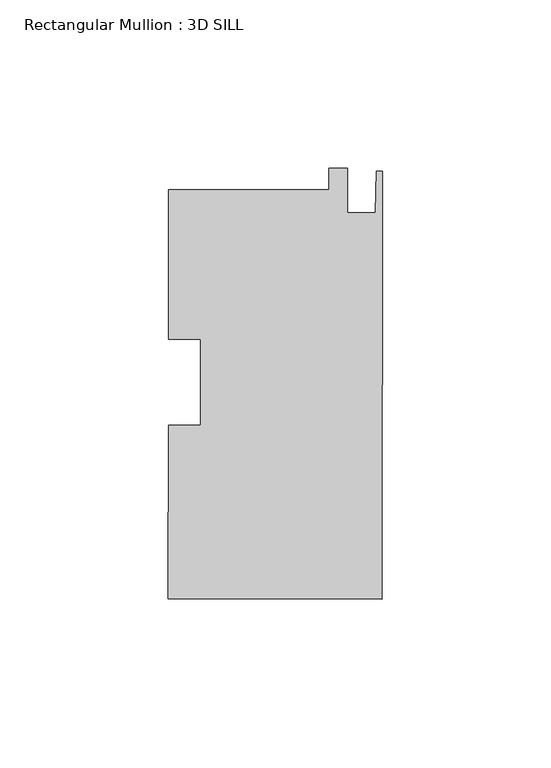
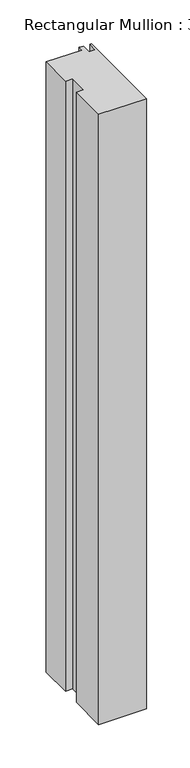
"""IFC4 building model written with IfcOpenShell, lengths in millimetres: member geometry, Rectangular Mullion : 3D SILL."""

from ifc_helpers import new_model, si_unit, frame, origin, place, context, project, spatial, polyline, outline, extrude, source, transform, mapped, element, save


def rectangular_mullion_3d_sill_c4a424d9(model_context):
    return source(origin(), model_context, "Body", "SweptSolid", [
        extrude(outline(polyline([(-15.8785297, 57.0944487), (-15.8744967, 63.4444474), (-10.3118978, 63.4409144), (-10.3202382, 50.3091171), (-2.0398398, 50.303858), (-1.7779996, 62.6480942), (0.0, 62.6469649), (-0.0806567, -64.3465324), (-63.5806439, -64.306202), (-63.5479185, -12.7802285), (-54.0229204, -12.7862781), (-54.0067326, 12.7014151), (-63.5317306, 12.7074647), (-63.5035201, 57.1246965), (-15.8785297, 57.0944487)])), frame((0.0, 0.0, -857.25), z_axis=(0.0, 0.0, 1.0), x_axis=(1.0, 0.0, 0.0)), (0.0, 0.0, 1.0), 857.25),
    ])


if __name__ == "__main__":
    model = new_model("IFC4")
    model_context = context("Model", 3, world=origin())
    ifc_project = project(units=[si_unit("LENGTHUNIT", "METRE", prefix="MILLI")], contexts=[model_context])
    site = spatial("IfcSite", under=ifc_project)
    building = spatial("IfcBuilding", under=site)
    placement = place(None, origin())
    rectangular_mullion_3d_sill_shape = rectangular_mullion_3d_sill_c4a424d9(model_context)
    element("IfcMember", 1, ObjectType="Rectangular Mullion : 3D SILL", at=placement, inside=building, context=model_context, shape_type="MappedRepresentation", body=[
        mapped(rectangular_mullion_3d_sill_shape, transform((0.0, 0.0, 0.0), x_axis=(1.0, 0.0, 0.0), y_axis=(0.0, 1.0, 0.0), z_axis=(0.0, 0.0, 1.0))),
    ])
    save(model, "model.ifc")
